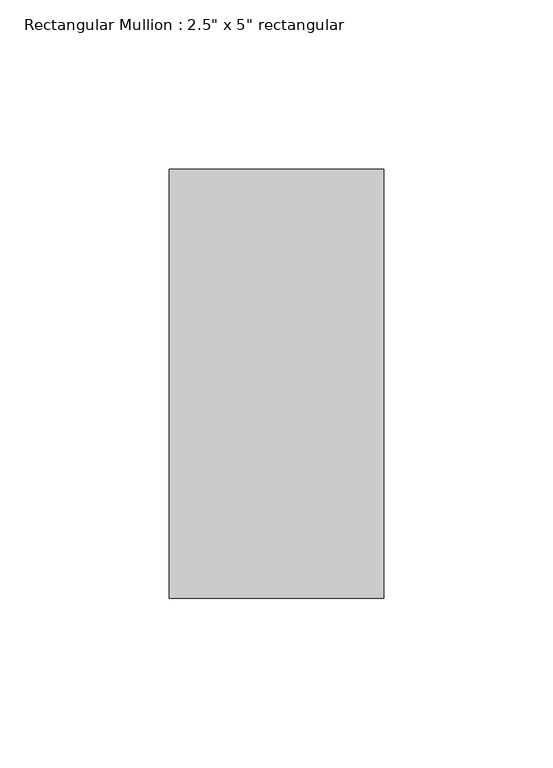
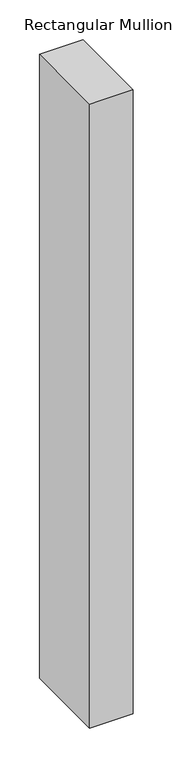
"""IFC4 building model written with IfcOpenShell, lengths in millimetres: member geometry."""

from ifc_helpers import new_model, si_unit, frame, origin, place, context, project, spatial, polyline, outline, extrude, source, transform, mapped, element, save


def member_fe4df8d3(model_context):
    return source(origin(), model_context, "Body", "SweptSolid", [
        extrude(outline(polyline([(0.0, 63.5), (0.0, -63.5), (-63.5, -63.5), (-63.5, 63.5), (0.0, 63.5)])), frame((0.0, 0.0, -962.2903153), z_axis=(0.0, 0.0, 1.0), x_axis=(1.0, 0.0, 0.0)), (0.0, 0.0, 1.0), 962.2903153),
    ])


if __name__ == "__main__":
    model = new_model("IFC4")
    model_context = context("Model", 3, world=origin())
    ifc_project = project(units=[si_unit("LENGTHUNIT", "METRE", prefix="MILLI")], contexts=[model_context])
    site = spatial("IfcSite", under=ifc_project)
    building = spatial("IfcBuilding", under=site)
    placement = place(None, origin())
    member_shape = member_fe4df8d3(model_context)
    element("IfcMember", 1, ObjectType="Rectangular Mullion : 2.5\" x 5\" rectangular", at=placement, inside=building, context=model_context, shape_type="MappedRepresentation", body=[
        mapped(member_shape, transform((0.0, 0.0, 0.0), x_axis=(1.0, 0.0, 0.0), y_axis=(0.0, 1.0, 0.0), z_axis=(0.0, 0.0, 1.0))),
    ])
    save(model, "model.ifc")
